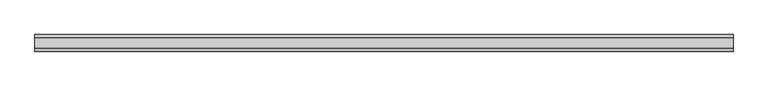
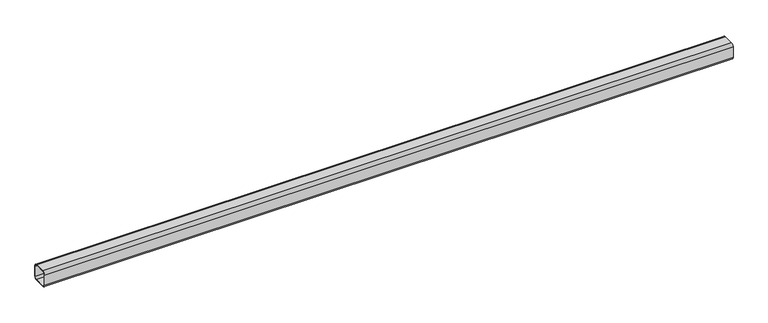
"""IFC4 building model written with IfcOpenShell, lengths in millimetres: beam geometry."""

from ifc_helpers import new_model, si_unit, point, frame, frame_2d, origin, place, context, project, spatial, polyline, circle_curve, trimmed, segment, composite_curve, outline, extrude, source, transform, mapped, element, save


def beam_04f6dccd(model_context):
    return source(origin(), model_context, "Body", "SweptSolid", [
        extrude(outline(composite_curve([segment(polyline([(-33.0, 50.0), (33.0, 50.0)]), True, "CONTINUOUS"), segment(trimmed(circle_curve(frame_2d((33.0, 33.0)), 17.0), [point((33.0, 50.0))], [point((50.0, 33.0))], False, "CARTESIAN"), True, "CONTINUOUS"), segment(polyline([(50.0, 33.0), (50.0, -33.0)]), True, "CONTINUOUS"), segment(trimmed(circle_curve(frame_2d((33.0, -33.0)), 17.0), [point((50.0, -33.0))], [point((33.0, -50.0))], False, "CARTESIAN"), True, "CONTINUOUS"), segment(polyline([(33.0, -50.0), (-33.0, -50.0)]), True, "CONTINUOUS"), segment(trimmed(circle_curve(frame_2d((-33.0, -33.0)), 17.0), [point((-33.0, -50.0))], [point((-50.0, -33.0))], False, "CARTESIAN"), True, "CONTINUOUS"), segment(polyline([(-50.0, -33.0), (-50.0, 33.0)]), True, "CONTINUOUS"), segment(trimmed(circle_curve(frame_2d((-33.0, 33.0)), 17.0), [point((-50.0, 33.0))], [point((-33.0, 50.0))], False, "CARTESIAN"), True, "CONTINUOUS")], self_intersect=False), holes=[composite_curve([segment(trimmed(circle_curve(frame_2d((-33.0, 33.0)), 12.0), [point((-33.0, 45.0))], [point((-45.0, 33.0))], True, "CARTESIAN"), True, "CONTINUOUS"), segment(polyline([(-45.0, 33.0), (-45.0, -33.0)]), True, "CONTINUOUS"), segment(trimmed(circle_curve(frame_2d((-33.0, -33.0)), 12.0), [point((-45.0, -33.0))], [point((-33.0, -45.0))], True, "CARTESIAN"), True, "CONTINUOUS"), segment(polyline([(-33.0, -45.0), (33.0, -45.0)]), True, "CONTINUOUS"), segment(trimmed(circle_curve(frame_2d((33.0, -33.0)), 12.0), [point((33.0, -45.0))], [point((45.0, -33.0))], True, "CARTESIAN"), True, "CONTINUOUS"), segment(polyline([(45.0, -33.0), (45.0, 33.0)]), True, "CONTINUOUS"), segment(trimmed(circle_curve(frame_2d((33.0, 33.0)), 12.0), [point((45.0, 33.0))], [point((33.0, 45.0))], True, "CARTESIAN"), True, "CONTINUOUS"), segment(polyline([(33.0, 45.0), (-33.0, 45.0)]), True, "CONTINUOUS")], self_intersect=False)]), frame((-2129.0, 0.0, 0.0), z_axis=(1.0, 0.0, 0.0), x_axis=(0.0, 1.0, 0.0)), (0.0, 0.0, 1.0), 4195.0),
    ])


if __name__ == "__main__":
    model = new_model("IFC4")
    model_context = context("Model", 3, world=origin())
    ifc_project = project(units=[si_unit("LENGTHUNIT", "METRE", prefix="MILLI")], contexts=[model_context])
    site = spatial("IfcSite", under=ifc_project)
    building = spatial("IfcBuilding", under=site)
    placement = place(None, origin())
    beam_shape = beam_04f6dccd(model_context)
    element("IfcBeam", 1, at=placement, inside=building, context=model_context, shape_type="MappedRepresentation", body=[
        mapped(beam_shape, transform((0.0, 0.0, 0.0), x_axis=(1.0, 0.0, 0.0), y_axis=(0.0, 1.0, 0.0), z_axis=(0.0, 0.0, 1.0))),
    ])
    save(model, "model.ifc")
